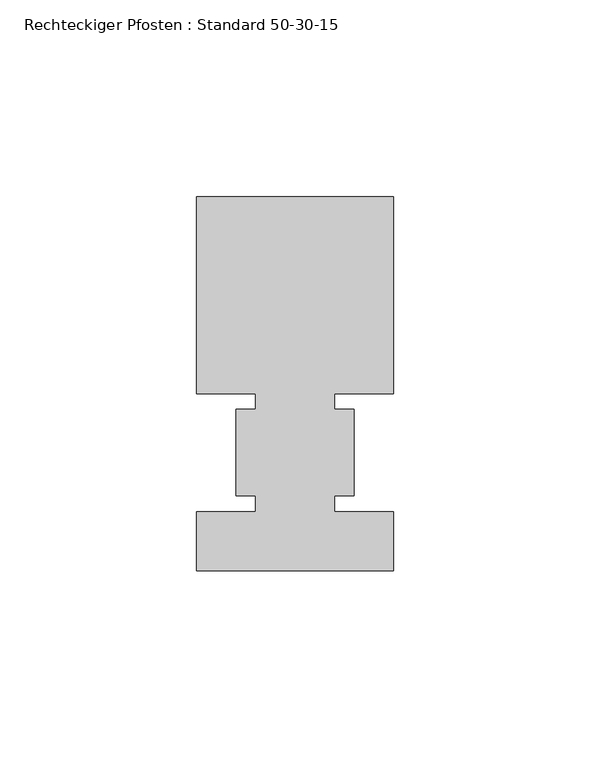
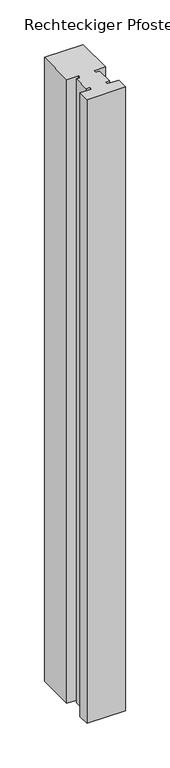
"""IFC4 building model written with IfcOpenShell, lengths in millimetres: member geometry, Rechteckiger Pfosten : Standard 50-30-15."""

import ifcopenshell
import ifcopenshell.guid

model = None  # the IFC model being written
_history = None  # IfcOwnerHistory: only IFC2X3 demands one
_inside = {}  # id of a spatial element -> (the spatial element, [elements in it])
_under = {}  # id of a project, library or spatial element -> (it, [spatial elements below it])
_declared = {}  # id of a project -> (the project, [libraries it declares])
_typed = {}  # id of a type object -> (the type object, [elements of that type])
_made_of = {}  # id of a material, layer set ... -> (it, [elements and type objects made of it])


def new_model(schema):
    """Start an empty IFC model of exactly this schema.

    Asked for "IFC4X3", IfcOpenShell would pick the latest addendum, in which some entities
    have other attributes; the version numbers below select the first issue.
    IFC2X3 requires an IfcOwnerHistory on every rooted entity: one is made here for all.
    """
    global model, _history
    if schema == "IFC4X3":
        model = ifcopenshell.file(schema_version=(4, 3, 0, 0))
    else:
        model = ifcopenshell.file(schema=schema)
    _inside.clear()
    _under.clear()
    _declared.clear()
    _typed.clear()
    _made_of.clear()
    _history = None
    if model.schema == "IFC2X3":
        org = make("IfcOrganization", Name="unknown")
        user = make(
            "IfcPersonAndOrganization",
            ThePerson=make("IfcPerson", FamilyName="unknown"),
            TheOrganization=org,
        )
        app = make(
            "IfcApplication",
            ApplicationDeveloper=org,
            Version="unknown",
            ApplicationFullName="unknown",
            ApplicationIdentifier="unknown",
        )
        _history = make(
            "IfcOwnerHistory",
            OwningUser=user,
            OwningApplication=app,
            ChangeAction="ADDED",
            CreationDate=0,
        )
    return model


def make(cls, **values):
    """One entity of the class cls with the attributes given. An attribute that is None is left unset."""
    return model.create_entity(
        cls, **{name: value for name, value in values.items() if value is not None}
    )


def rooted(cls, **values):
    """An entity with a GlobalId (a new one), such as an element, a storey or a relation."""
    return make(cls, GlobalId=ifcopenshell.guid.new(), OwnerHistory=_history, **values)


def si_unit(unit_type, name, prefix=None):
    """IfcSIUnit, for example si_unit("LENGTHUNIT", "METRE", prefix="MILLI")."""
    return make("IfcSIUnit", UnitType=unit_type, Prefix=prefix, Name=name)


def assignment(units):
    """IfcUnitAssignment: the units of a project."""
    return None if units is None else make("IfcUnitAssignment", Units=units)


def point(xyz):
    """IfcCartesianPoint."""
    return None if xyz is None else make("IfcCartesianPoint", Coordinates=xyz)


def direction(xyz):
    """IfcDirection."""
    return None if xyz is None else make("IfcDirection", DirectionRatios=xyz)


def frame(location, z_axis=None, x_axis=None):
    """IfcAxis2Placement3D, a coordinate frame: its origin and axes. An axis left out is left unset."""
    return make(
        "IfcAxis2Placement3D",
        Location=point(location),
        Axis=direction(z_axis),
        RefDirection=direction(x_axis),
    )


def origin():
    """The frame at (0, 0, 0) with its axes left unset."""
    return frame((0.0, 0.0, 0.0))


def place(relative_to, where):
    """IfcLocalPlacement: puts the frame where relative to a parent placement (None: the world)."""
    return make(
        "IfcLocalPlacement", PlacementRelTo=relative_to, RelativePlacement=where
    )


def context(
    kind, dimensions, precision=None, world=None, true_north=None, identifier=None
):
    """IfcGeometricRepresentationContext, for example the 3D "Model" context."""
    return make(
        "IfcGeometricRepresentationContext",
        ContextIdentifier=identifier,
        ContextType=kind,
        CoordinateSpaceDimension=dimensions,
        Precision=precision,
        WorldCoordinateSystem=world,
        TrueNorth=true_north,
    )


def project(units=None, contexts=None):
    """IfcProject with its units and contexts."""
    return rooted(
        "IfcProject",
        Name="project",
        RepresentationContexts=contexts,
        UnitsInContext=assignment(units),
    )


def spatial(cls, under=None, at=None, **own):
    """A site, building, storey or space (cls), placed at a placement, below another one or the project."""
    s = rooted(cls, ObjectPlacement=at, **own)
    if under is not None:
        _under.setdefault(under.id(), (under, []))[1].append(s)
    return s


def polyline(points):
    """IfcPolyline through the points."""
    return make("IfcPolyline", Points=[point(p) for p in points])


def outline(outer, holes=None, kind="AREA"):
    """IfcArbitraryClosedProfileDef: a profile drawn as a closed curve; with holes, ...WithVoids."""
    if holes is None:
        return make("IfcArbitraryClosedProfileDef", ProfileType=kind, OuterCurve=outer)
    return make(
        "IfcArbitraryProfileDefWithVoids",
        ProfileType=kind,
        OuterCurve=outer,
        InnerCurves=holes,
    )


def extrude(swept, where, along, depth):
    """IfcExtrudedAreaSolid: the profile swept, set in the frame where, extruded along a direction by depth."""
    return make(
        "IfcExtrudedAreaSolid",
        SweptArea=swept,
        Position=where,
        ExtrudedDirection=direction(along),
        Depth=depth,
    )


def shape(context_of_items, identifier, shape_type, items):
    """IfcShapeRepresentation: the items that make up one representation, for example the "Body"."""
    return make(
        "IfcShapeRepresentation",
        ContextOfItems=context_of_items,
        RepresentationIdentifier=identifier,
        RepresentationType=shape_type,
        Items=items,
    )


def source(mapping_origin, context_of_items, identifier, shape_type, items):
    """IfcRepresentationMap: a shape defined once, which mapped items show again and again."""
    return make(
        "IfcRepresentationMap",
        MappingOrigin=mapping_origin,
        MappedRepresentation=shape(context_of_items, identifier, shape_type, items),
    )


def transform(
    local_origin,
    x_axis=None,
    y_axis=None,
    z_axis=None,
    scale=None,
    scale2=None,
    scale3=None,
    uniform=True,
):
    """IfcCartesianTransformationOperator3D, or its non-uniform kind. x_axis, y_axis, z_axis: its Axis1, 2, 3."""
    if uniform:
        return make(
            "IfcCartesianTransformationOperator3D",
            Axis1=direction(x_axis),
            Axis2=direction(y_axis),
            LocalOrigin=point(local_origin),
            Scale=scale,
            Axis3=direction(z_axis),
        )
    return make(
        "IfcCartesianTransformationOperator3DnonUniform",
        Axis1=direction(x_axis),
        Axis2=direction(y_axis),
        LocalOrigin=point(local_origin),
        Scale=scale,
        Axis3=direction(z_axis),
        Scale2=scale2,
        Scale3=scale3,
    )


def mapped(mapping_source, mapping_target):
    """IfcMappedItem: shows the shape of a source again, moved by a transform."""
    return make(
        "IfcMappedItem", MappingSource=mapping_source, MappingTarget=mapping_target
    )


def made_of(thing, what):
    """Note that an element or type object is made of a material, layer set ...; save() writes the relation."""
    if what is not None:
        _made_of.setdefault(what.id(), (what, []))[1].append(thing)
    return thing


def element(
    cls,
    number,
    at=None,
    inside=None,
    cuts=None,
    type_object=None,
    material=None,
    context=None,
    identifier="Body",
    shape_type=None,
    held_by="IfcProductDefinitionShape",
    body=None,
    shapes=None,
    **own,
):
    """One element of the class cls, such as IfcWall. Its Tag is "e" and its number.

    at: its placement. inside: the storey or other place that contains it. cuts: it is an
    opening in that element (IfcRelVoidsElement). A single representation is given by context,
    identifier, shape_type and body (its items); several are given by shapes. held_by: the class
    of the entity that holds the representations. save() writes the other relations.
    """
    e = rooted(cls, Tag="e%d" % number, ObjectPlacement=at, **own)
    if body is not None:
        shapes = [shape(context, identifier, shape_type, body)]
    if shapes is not None:
        e.Representation = make(held_by, Representations=shapes)
    if inside is not None:
        _inside.setdefault(inside.id(), (inside, []))[1].append(e)
    if cuts is not None:
        rooted(
            "IfcRelVoidsElement", RelatingBuildingElement=cuts, RelatedOpeningElement=e
        )
    if type_object is not None:
        _typed.setdefault(type_object.id(), (type_object, []))[1].append(e)
    return made_of(e, material)


def aggregate(whole, parts):
    """IfcRelAggregates: a whole, such as a stair, and the parts it consists of."""
    return rooted("IfcRelAggregates", RelatingObject=whole, RelatedObjects=parts)


def save(model, path):
    """Write the relations noted so far, then the file.

    IfcRelAggregates (storeys below a building ...), IfcRelContainedInSpatialStructure (elements
    in a storey), IfcRelDefinesByType, IfcRelAssociatesMaterial and IfcRelDeclares: one each for
    every whole, place, type object, material and project.
    """
    for whole, parts in _under.values():
        aggregate(whole, parts)
    for where, things in _inside.values():
        rooted(
            "IfcRelContainedInSpatialStructure",
            RelatedElements=things,
            RelatingStructure=where,
        )
    for kind, things in _typed.values():
        rooted("IfcRelDefinesByType", RelatedObjects=things, RelatingType=kind)
    for what, things in _made_of.values():
        rooted("IfcRelAssociatesMaterial", RelatedObjects=things, RelatingMaterial=what)
    for by, libraries in _declared.values():
        rooted("IfcRelDeclares", RelatingContext=by, RelatedDefinitions=libraries)
    model.write(path)


def rechteckiger_pfosten_standard_50_30_15_457313e7(model_context):
    return source(origin(), model_context, "Body", "SweptSolid", [
        extrude(outline(polyline([(-25.0, 65.0), (25.0, 65.0), (25.0, 15.0), (10.0, 15.0), (10.0, 11.0), (15.0, 11.0), (15.0, -11.0), (10.0, -11.0), (10.0, -15.0), (25.0, -15.0), (25.0, -30.0), (-25.0, -30.0), (-25.0, -15.0), (-10.0, -15.0), (-10.0, -11.0), (-15.0, -11.0), (-15.0, 11.0), (-10.0, 11.0), (-10.0, 15.0), (-25.0, 15.0), (-25.0, 65.0)])), frame((0.0, 0.0, -852.5000002), z_axis=(0.0, 0.0, 1.0), x_axis=(1.0, 0.0, 0.0)), (0.0, 0.0, 1.0), 852.5000002),
    ])


if __name__ == "__main__":
    model = new_model("IFC4")
    model_context = context("Model", 3, world=origin())
    ifc_project = project(units=[si_unit("LENGTHUNIT", "METRE", prefix="MILLI")], contexts=[model_context])
    site = spatial("IfcSite", under=ifc_project)
    building = spatial("IfcBuilding", under=site)
    placement = place(None, origin())
    rechteckiger_pfosten_standard_50_30_15_shape = rechteckiger_pfosten_standard_50_30_15_457313e7(model_context)
    element("IfcMember", 1, ObjectType="Rechteckiger Pfosten : Standard 50-30-15", at=placement, inside=building, context=model_context, shape_type="MappedRepresentation", body=[
        mapped(rechteckiger_pfosten_standard_50_30_15_shape, transform((0.0, 0.0, 0.0), x_axis=(1.0, 0.0, 0.0), y_axis=(0.0, 1.0, 0.0), z_axis=(0.0, 0.0, 1.0))),
    ])
    save(model, "model.ifc")
